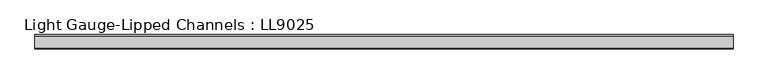
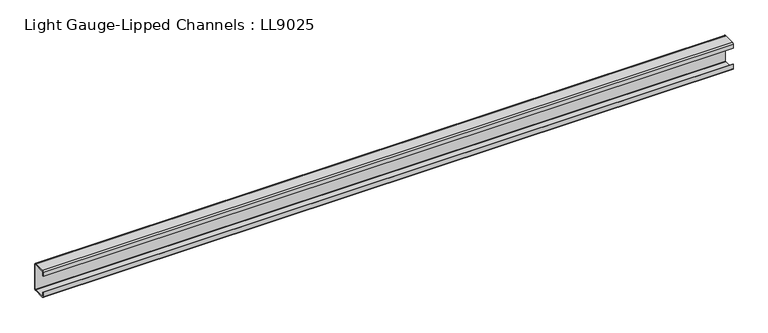
"""IFC4 building model written with IfcOpenShell, lengths in millimetres: beam geometry, Light Gauge-Lipped Channels : LL9025."""

from ifc_helpers import new_model, si_unit, point, frame, frame_2d, origin, place, context, project, spatial, polyline, circle_curve, trimmed, segment, composite_curve, outline, extrude, source, transform, mapped, element, save


def light_gauge_lipped_channels_ll9025_ddae4b5a(model_context):
    return source(origin(), model_context, "Body", "SweptSolid", [
        extrude(outline(composite_curve([segment(trimmed(circle_curve(frame_2d((14.7, -41.5)), 3.5), [point((18.2, -41.5))], [point((14.7, -45.0))], False, "CARTESIAN"), True, "CONTINUOUS"), segment(polyline([(14.7, -45.0), (-23.3, -45.0)]), True, "CONTINUOUS"), segment(trimmed(circle_curve(frame_2d((-23.3, -41.5)), 3.5), [point((-23.3, -45.0))], [point((-26.8, -41.5))], False, "CARTESIAN"), True, "CONTINUOUS"), segment(polyline([(-26.8, -41.5), (-26.8, -27.0), (-24.3, -27.0), (-24.3, -41.5)]), True, "CONTINUOUS"), segment(trimmed(circle_curve(frame_2d((-23.3, -41.5)), 1.0), [point((-24.3, -41.5))], [point((-23.3, -42.5))], True, "CARTESIAN"), True, "CONTINUOUS"), segment(polyline([(-23.3, -42.5), (14.7, -42.5)]), True, "CONTINUOUS"), segment(trimmed(circle_curve(frame_2d((14.7, -41.5)), 1.0), [point((14.7, -42.5))], [point((15.7, -41.5))], True, "CARTESIAN"), True, "CONTINUOUS"), segment(polyline([(15.7, -41.5), (15.7, 41.5)]), True, "CONTINUOUS"), segment(trimmed(circle_curve(frame_2d((14.7, 41.5)), 1.0), [point((15.7, 41.5))], [point((14.7, 42.5))], True, "CARTESIAN"), True, "CONTINUOUS"), segment(polyline([(14.7, 42.5), (-23.3, 42.5)]), True, "CONTINUOUS"), segment(trimmed(circle_curve(frame_2d((-23.3, 41.5)), 1.0), [point((-23.3, 42.5))], [point((-24.3, 41.5))], True, "CARTESIAN"), True, "CONTINUOUS"), segment(polyline([(-24.3, 41.5), (-24.3, 27.0), (-26.8, 27.0), (-26.8, 41.5)]), True, "CONTINUOUS"), segment(trimmed(circle_curve(frame_2d((-23.3, 41.5)), 3.5), [point((-26.8, 41.5))], [point((-23.3, 45.0))], False, "CARTESIAN"), True, "CONTINUOUS"), segment(polyline([(-23.3, 45.0), (14.7, 45.0)]), True, "CONTINUOUS"), segment(trimmed(circle_curve(frame_2d((14.7, 41.5)), 3.5), [point((14.7, 45.0))], [point((18.2, 41.5))], False, "CARTESIAN"), True, "CONTINUOUS"), segment(polyline([(18.2, 41.5), (18.2, -41.5)]), True, "CONTINUOUS")], self_intersect=False)), frame((-1096.5, 0.0, 0.0), z_axis=(1.0, 0.0, 0.0), x_axis=(0.0, 1.0, 0.0)), (0.0, 0.0, 1.0), 2193.0),
    ])


if __name__ == "__main__":
    model = new_model("IFC4")
    model_context = context("Model", 3, world=origin())
    ifc_project = project(units=[si_unit("LENGTHUNIT", "METRE", prefix="MILLI")], contexts=[model_context])
    site = spatial("IfcSite", under=ifc_project)
    building = spatial("IfcBuilding", under=site)
    placement = place(None, origin())
    light_gauge_lipped_channels_ll9025_shape = light_gauge_lipped_channels_ll9025_ddae4b5a(model_context)
    element("IfcBeam", 1, ObjectType="Light Gauge-Lipped Channels : LL9025", at=placement, inside=building, context=model_context, shape_type="MappedRepresentation", body=[
        mapped(light_gauge_lipped_channels_ll9025_shape, transform((0.0, 0.0, 0.0), x_axis=(1.0, 0.0, 0.0), y_axis=(0.0, 1.0, 0.0), z_axis=(0.0, 0.0, 1.0))),
    ])
    save(model, "model.ifc")
